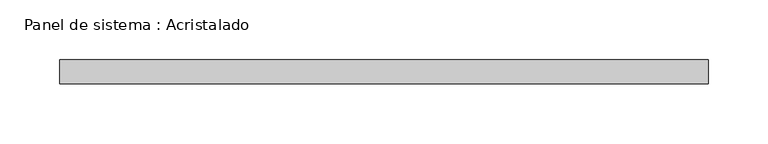
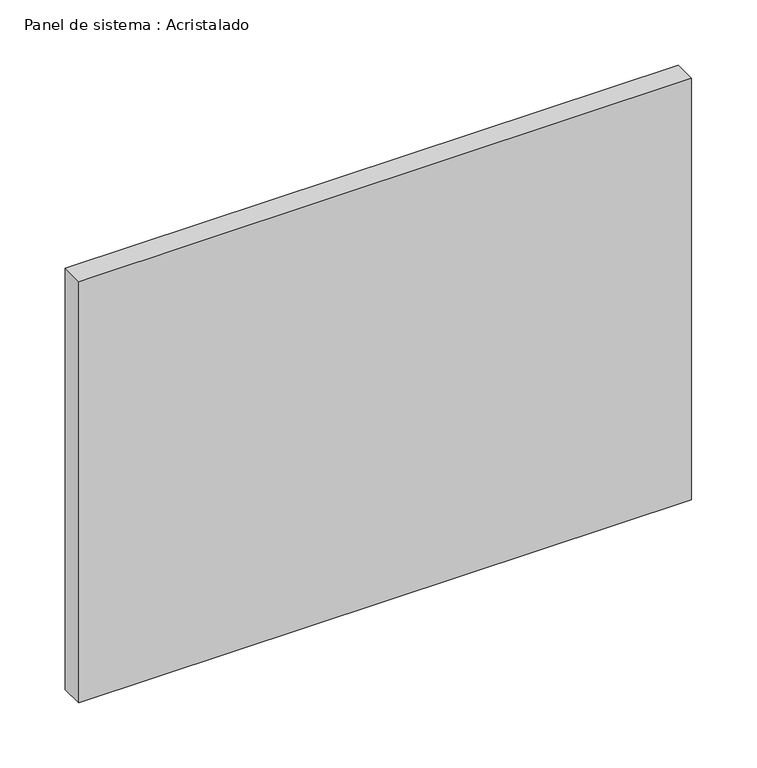
"""IFC4 building model written with IfcOpenShell, lengths in millimetres: plate geometry, Panel de sistema : Acristalado."""

from ifc_helpers import new_model, si_unit, origin, origin_with_axes, place, context, project, spatial, polyline, outline, extrude, source, transform, mapped, element, save


def panel_de_sistema_acristalado_bfcd5a97(model_context):
    return source(origin(), model_context, "Body", "SweptSolid", [
        extrude(outline(polyline([(270.5, -10.0), (-270.5, -10.0), (-270.5, 10.0), (270.5, 10.0), (270.5, -10.0)])), origin_with_axes(), (0.0, 0.0, 1.0), 392.7452144),
    ])


if __name__ == "__main__":
    model = new_model("IFC4")
    model_context = context("Model", 3, world=origin())
    ifc_project = project(units=[si_unit("LENGTHUNIT", "METRE", prefix="MILLI")], contexts=[model_context])
    site = spatial("IfcSite", under=ifc_project)
    building = spatial("IfcBuilding", under=site)
    placement = place(None, origin())
    panel_de_sistema_acristalado_shape = panel_de_sistema_acristalado_bfcd5a97(model_context)
    element("IfcPlate", 1, ObjectType="Panel de sistema : Acristalado", at=placement, inside=building, context=model_context, shape_type="MappedRepresentation", body=[
        mapped(panel_de_sistema_acristalado_shape, transform((0.0, 0.0, 0.0), x_axis=(1.0, 0.0, 0.0), y_axis=(0.0, 1.0, 0.0), z_axis=(0.0, 0.0, 1.0))),
    ])
    save(model, "model.ifc")
